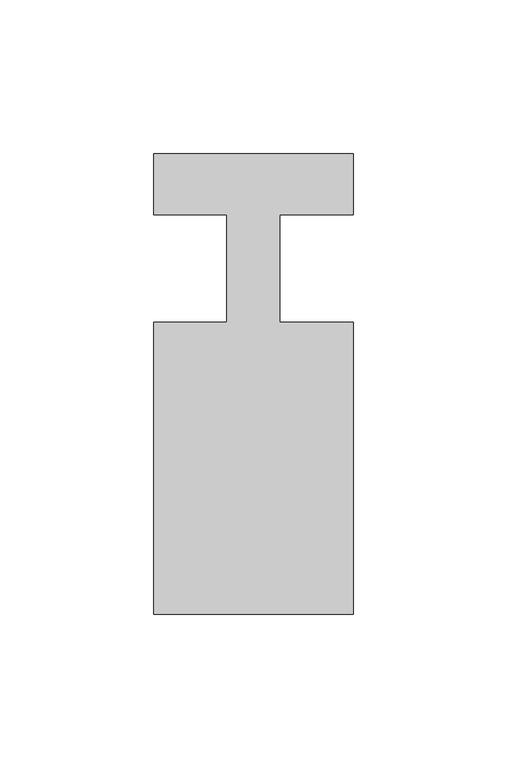
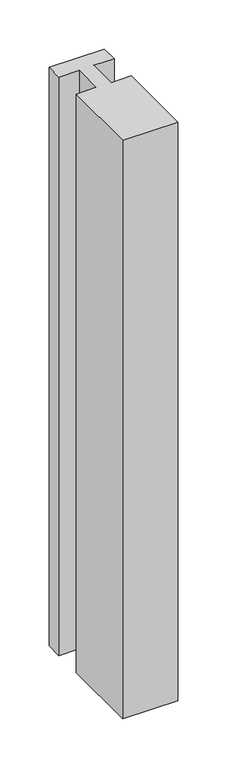
"""IFC4 building model written with IfcOpenShell, lengths in millimetres: member geometry."""

from ifc_helpers import new_model, si_unit, frame, origin, place, context, project, spatial, polyline, outline, extrude, source, transform, mapped, element, save


def member_8e84d3ef(model_context):
    return source(origin(), model_context, "Body", "SweptSolid", [
        extrude(outline(polyline([(-65.0, 37.0), (0.0, 37.0), (0.0, 17.0), (-23.8125, 17.0), (-23.8125, -18.0), (0.0, -18.0), (0.0, -113.0), (-65.0, -113.0), (-65.0, -18.0), (-41.1875, -18.0), (-41.1875, 17.0), (-65.0, 17.0), (-65.0, 37.0)])), frame((0.0, 0.0, -720.0), z_axis=(0.0, 0.0, 1.0), x_axis=(1.0, 0.0, 0.0)), (0.0, 0.0, 1.0), 720.0),
    ])


if __name__ == "__main__":
    model = new_model("IFC4")
    model_context = context("Model", 3, world=origin())
    ifc_project = project(units=[si_unit("LENGTHUNIT", "METRE", prefix="MILLI")], contexts=[model_context])
    site = spatial("IfcSite", under=ifc_project)
    building = spatial("IfcBuilding", under=site)
    placement = place(None, origin())
    member_shape = member_8e84d3ef(model_context)
    element("IfcMember", 1, at=placement, inside=building, context=model_context, shape_type="MappedRepresentation", body=[
        mapped(member_shape, transform((0.0, 0.0, 0.0), x_axis=(1.0, 0.0, 0.0), y_axis=(0.0, 1.0, 0.0), z_axis=(0.0, 0.0, 1.0))),
    ])
    save(model, "model.ifc")
